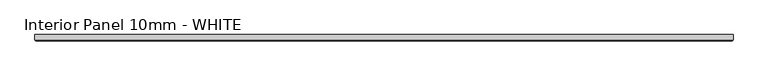
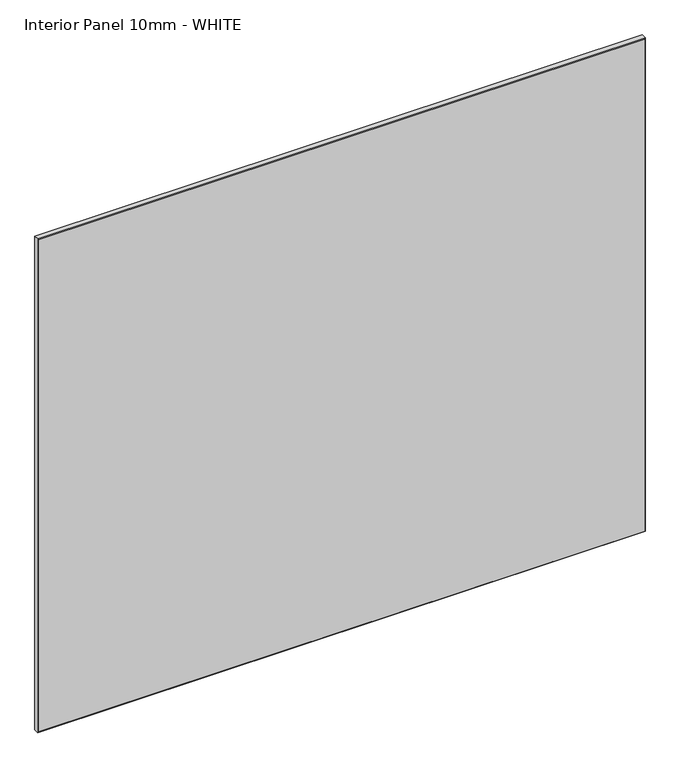
"""IFC4 building model written with IfcOpenShell, lengths in millimetres: proxy geometry, Interior Panel 10mm - WHITE."""

import ifcopenshell
import ifcopenshell.guid

model = None  # the IFC model being written
_history = None  # IfcOwnerHistory: only IFC2X3 demands one
_inside = {}  # id of a spatial element -> (the spatial element, [elements in it])
_under = {}  # id of a project, library or spatial element -> (it, [spatial elements below it])
_declared = {}  # id of a project -> (the project, [libraries it declares])
_typed = {}  # id of a type object -> (the type object, [elements of that type])
_made_of = {}  # id of a material, layer set ... -> (it, [elements and type objects made of it])


def new_model(schema):
    """Start an empty IFC model of exactly this schema.

    Asked for "IFC4X3", IfcOpenShell would pick the latest addendum, in which some entities
    have other attributes; the version numbers below select the first issue.
    IFC2X3 requires an IfcOwnerHistory on every rooted entity: one is made here for all.
    """
    global model, _history
    if schema == "IFC4X3":
        model = ifcopenshell.file(schema_version=(4, 3, 0, 0))
    else:
        model = ifcopenshell.file(schema=schema)
    _inside.clear()
    _under.clear()
    _declared.clear()
    _typed.clear()
    _made_of.clear()
    _history = None
    if model.schema == "IFC2X3":
        org = make("IfcOrganization", Name="unknown")
        user = make(
            "IfcPersonAndOrganization",
            ThePerson=make("IfcPerson", FamilyName="unknown"),
            TheOrganization=org,
        )
        app = make(
            "IfcApplication",
            ApplicationDeveloper=org,
            Version="unknown",
            ApplicationFullName="unknown",
            ApplicationIdentifier="unknown",
        )
        _history = make(
            "IfcOwnerHistory",
            OwningUser=user,
            OwningApplication=app,
            ChangeAction="ADDED",
            CreationDate=0,
        )
    return model


def make(cls, **values):
    """One entity of the class cls with the attributes given. An attribute that is None is left unset."""
    return model.create_entity(
        cls, **{name: value for name, value in values.items() if value is not None}
    )


def rooted(cls, **values):
    """An entity with a GlobalId (a new one), such as an element, a storey or a relation."""
    return make(cls, GlobalId=ifcopenshell.guid.new(), OwnerHistory=_history, **values)


def si_unit(unit_type, name, prefix=None):
    """IfcSIUnit, for example si_unit("LENGTHUNIT", "METRE", prefix="MILLI")."""
    return make("IfcSIUnit", UnitType=unit_type, Prefix=prefix, Name=name)


def assignment(units):
    """IfcUnitAssignment: the units of a project."""
    return None if units is None else make("IfcUnitAssignment", Units=units)


def point(xyz):
    """IfcCartesianPoint."""
    return None if xyz is None else make("IfcCartesianPoint", Coordinates=xyz)


def direction(xyz):
    """IfcDirection."""
    return None if xyz is None else make("IfcDirection", DirectionRatios=xyz)


def frame(location, z_axis=None, x_axis=None):
    """IfcAxis2Placement3D, a coordinate frame: its origin and axes. An axis left out is left unset."""
    return make(
        "IfcAxis2Placement3D",
        Location=point(location),
        Axis=direction(z_axis),
        RefDirection=direction(x_axis),
    )


def origin():
    """The frame at (0, 0, 0) with its axes left unset."""
    return frame((0.0, 0.0, 0.0))


def place(relative_to, where):
    """IfcLocalPlacement: puts the frame where relative to a parent placement (None: the world)."""
    return make(
        "IfcLocalPlacement", PlacementRelTo=relative_to, RelativePlacement=where
    )


def context(
    kind, dimensions, precision=None, world=None, true_north=None, identifier=None
):
    """IfcGeometricRepresentationContext, for example the 3D "Model" context."""
    return make(
        "IfcGeometricRepresentationContext",
        ContextIdentifier=identifier,
        ContextType=kind,
        CoordinateSpaceDimension=dimensions,
        Precision=precision,
        WorldCoordinateSystem=world,
        TrueNorth=true_north,
    )


def project(units=None, contexts=None):
    """IfcProject with its units and contexts."""
    return rooted(
        "IfcProject",
        Name="project",
        RepresentationContexts=contexts,
        UnitsInContext=assignment(units),
    )


def spatial(cls, under=None, at=None, **own):
    """A site, building, storey or space (cls), placed at a placement, below another one or the project."""
    s = rooted(cls, ObjectPlacement=at, **own)
    if under is not None:
        _under.setdefault(under.id(), (under, []))[1].append(s)
    return s


def faces_of(points, faces, orient=None, outer=None):
    """IfcFace entities. A face is a list of loops; a loop is a list of indices into points, from 0.

    orient and outer hold one flag for each loop. By default every Orientation is true, the
    first loop of a face is its IfcFaceOuterBound and the others are IfcFaceBound.
    """
    made = []
    for i, loops in enumerate(faces):
        bounds = []
        for j, loop in enumerate(loops):
            is_outer = j == 0 if outer is None else outer[i][j]
            bounds.append(
                make(
                    "IfcFaceOuterBound" if is_outer else "IfcFaceBound",
                    Bound=make("IfcPolyLoop", Polygon=[points[k] for k in loop]),
                    Orientation=True if orient is None else orient[i][j],
                )
            )
        made.append(make("IfcFace", Bounds=bounds))
    return made


def faceted_brep(points, faces, orient=None, outer=None, voids=None):
    """IfcFacetedBrep: a solid bounded by flat faces; with voids (closed shells), ...WithVoids."""
    shared = [point(p) for p in points]
    hull = make("IfcClosedShell", CfsFaces=faces_of(shared, faces, orient, outer))
    if voids is None:
        return make("IfcFacetedBrep", Outer=hull)
    return make(
        "IfcFacetedBrepWithVoids",
        Outer=hull,
        Voids=[
            make(cls, CfsFaces=faces_of(shared, fs, o, b)) for cls, fs, o, b in voids
        ],
    )


def shape(context_of_items, identifier, shape_type, items):
    """IfcShapeRepresentation: the items that make up one representation, for example the "Body"."""
    return make(
        "IfcShapeRepresentation",
        ContextOfItems=context_of_items,
        RepresentationIdentifier=identifier,
        RepresentationType=shape_type,
        Items=items,
    )


def source(mapping_origin, context_of_items, identifier, shape_type, items):
    """IfcRepresentationMap: a shape defined once, which mapped items show again and again."""
    return make(
        "IfcRepresentationMap",
        MappingOrigin=mapping_origin,
        MappedRepresentation=shape(context_of_items, identifier, shape_type, items),
    )


def transform(
    local_origin,
    x_axis=None,
    y_axis=None,
    z_axis=None,
    scale=None,
    scale2=None,
    scale3=None,
    uniform=True,
):
    """IfcCartesianTransformationOperator3D, or its non-uniform kind. x_axis, y_axis, z_axis: its Axis1, 2, 3."""
    if uniform:
        return make(
            "IfcCartesianTransformationOperator3D",
            Axis1=direction(x_axis),
            Axis2=direction(y_axis),
            LocalOrigin=point(local_origin),
            Scale=scale,
            Axis3=direction(z_axis),
        )
    return make(
        "IfcCartesianTransformationOperator3DnonUniform",
        Axis1=direction(x_axis),
        Axis2=direction(y_axis),
        LocalOrigin=point(local_origin),
        Scale=scale,
        Axis3=direction(z_axis),
        Scale2=scale2,
        Scale3=scale3,
    )


def mapped(mapping_source, mapping_target):
    """IfcMappedItem: shows the shape of a source again, moved by a transform."""
    return make(
        "IfcMappedItem", MappingSource=mapping_source, MappingTarget=mapping_target
    )


def made_of(thing, what):
    """Note that an element or type object is made of a material, layer set ...; save() writes the relation."""
    if what is not None:
        _made_of.setdefault(what.id(), (what, []))[1].append(thing)
    return thing


def element(
    cls,
    number,
    at=None,
    inside=None,
    cuts=None,
    type_object=None,
    material=None,
    context=None,
    identifier="Body",
    shape_type=None,
    held_by="IfcProductDefinitionShape",
    body=None,
    shapes=None,
    **own,
):
    """One element of the class cls, such as IfcWall. Its Tag is "e" and its number.

    at: its placement. inside: the storey or other place that contains it. cuts: it is an
    opening in that element (IfcRelVoidsElement). A single representation is given by context,
    identifier, shape_type and body (its items); several are given by shapes. held_by: the class
    of the entity that holds the representations. save() writes the other relations.
    """
    e = rooted(cls, Tag="e%d" % number, ObjectPlacement=at, **own)
    if body is not None:
        shapes = [shape(context, identifier, shape_type, body)]
    if shapes is not None:
        e.Representation = make(held_by, Representations=shapes)
    if inside is not None:
        _inside.setdefault(inside.id(), (inside, []))[1].append(e)
    if cuts is not None:
        rooted(
            "IfcRelVoidsElement", RelatingBuildingElement=cuts, RelatedOpeningElement=e
        )
    if type_object is not None:
        _typed.setdefault(type_object.id(), (type_object, []))[1].append(e)
    return made_of(e, material)


def aggregate(whole, parts):
    """IfcRelAggregates: a whole, such as a stair, and the parts it consists of."""
    return rooted("IfcRelAggregates", RelatingObject=whole, RelatedObjects=parts)


def save(model, path):
    """Write the relations noted so far, then the file.

    IfcRelAggregates (storeys below a building ...), IfcRelContainedInSpatialStructure (elements
    in a storey), IfcRelDefinesByType, IfcRelAssociatesMaterial and IfcRelDeclares: one each for
    every whole, place, type object, material and project.
    """
    for whole, parts in _under.values():
        aggregate(whole, parts)
    for where, things in _inside.values():
        rooted(
            "IfcRelContainedInSpatialStructure",
            RelatedElements=things,
            RelatingStructure=where,
        )
    for kind, things in _typed.values():
        rooted("IfcRelDefinesByType", RelatedObjects=things, RelatingType=kind)
    for what, things in _made_of.values():
        rooted("IfcRelAssociatesMaterial", RelatedObjects=things, RelatingMaterial=what)
    for by, libraries in _declared.values():
        rooted("IfcRelDeclares", RelatingContext=by, RelatedDefinitions=libraries)
    model.write(path)


def interior_panel_10mm_white_6f71cb72(model_context):
    return source(origin(), model_context, "Body", "Brep", [
        faceted_brep([(992.1875, 3.175, 914.4), (-73.025, 3.175, 914.4), (-73.025, -4.7625, 914.4), (992.1875, -4.7625, 914.4), (992.1875, 3.175, 0.0), (992.1875, -4.7625, 0.0), (-73.025, -4.7625, 0.0), (-73.025, 3.175, 0.0), (-71.4375, -6.35, 912.8125), (-71.4375, -6.35, 1.5875), (990.6, -6.35, 1.5875), (990.6, -6.35, 912.8125)], [[[0, 1, 2, 3]], [[4, 5, 6, 7]], [[1, 0, 4, 7]], [[2, 1, 7, 6]], [[8, 9, 10, 11]], [[0, 3, 5, 4]], [[2, 6, 9, 8]], [[5, 3, 11, 10]], [[3, 2, 8, 11]], [[6, 5, 10, 9]]]),
    ])


if __name__ == "__main__":
    model = new_model("IFC4")
    model_context = context("Model", 3, world=origin())
    ifc_project = project(units=[si_unit("LENGTHUNIT", "METRE", prefix="MILLI")], contexts=[model_context])
    site = spatial("IfcSite", under=ifc_project)
    building = spatial("IfcBuilding", under=site)
    placement = place(None, origin())
    interior_panel_10mm_white_shape = interior_panel_10mm_white_6f71cb72(model_context)
    element("IfcBuildingElementProxy", 1, Name="Interior Panel 10mm - WHITE", ObjectType="Interior Panel 10mm - WHITE", at=placement, inside=building, context=model_context, shape_type="MappedRepresentation", body=[
        mapped(interior_panel_10mm_white_shape, transform((0.0, 0.0, 0.0), x_axis=(1.0, 0.0, 0.0), y_axis=(0.0, 1.0, 0.0), z_axis=(0.0, 0.0, 1.0))),
    ])
    save(model, "model.ifc")
